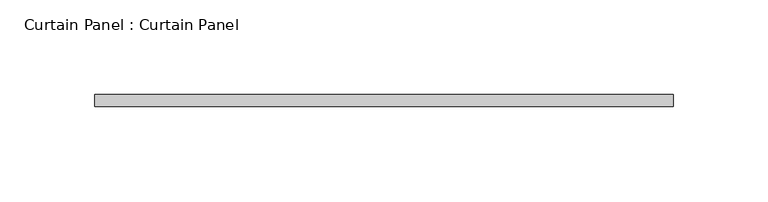
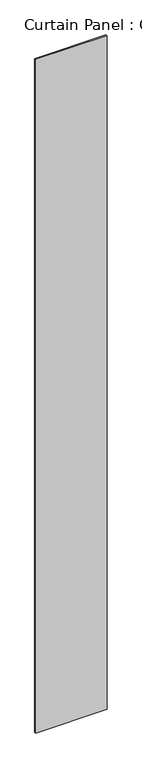
"""IFC4 building model written with IfcOpenShell, lengths in millimetres: plate geometry, Curtain Panel : Curtain Panel."""

from ifc_helpers import new_model, si_unit, origin, origin_with_axes, place, context, project, spatial, polyline, outline, extrude, source, transform, mapped, element, save


def curtain_panel_curtain_panel_d5eef539(model_context):
    return source(origin(), model_context, "Body", "SweptSolid", [
        extrude(outline(polyline([(122511.9144759, 2237.0792941), (122817.8589358, 2237.0792941), (122817.8589358, 2230.7292941), (122511.9144759, 2230.7292941), (122511.9144759, 2237.0792941)])), origin_with_axes(), (0.0, 0.0, 1.0), 3048.0),
    ])


if __name__ == "__main__":
    model = new_model("IFC4")
    model_context = context("Model", 3, world=origin())
    ifc_project = project(units=[si_unit("LENGTHUNIT", "METRE", prefix="MILLI")], contexts=[model_context])
    site = spatial("IfcSite", under=ifc_project)
    building = spatial("IfcBuilding", under=site)
    placement = place(None, origin())
    curtain_panel_curtain_panel_shape = curtain_panel_curtain_panel_d5eef539(model_context)
    element("IfcPlate", 1, ObjectType="Curtain Panel : Curtain Panel", at=placement, inside=building, context=model_context, shape_type="MappedRepresentation", body=[
        mapped(curtain_panel_curtain_panel_shape, transform((0.0, 0.0, 0.0), x_axis=(1.0, 0.0, 0.0), y_axis=(0.0, 1.0, 0.0), z_axis=(0.0, 0.0, 1.0))),
    ])
    save(model, "model.ifc")
